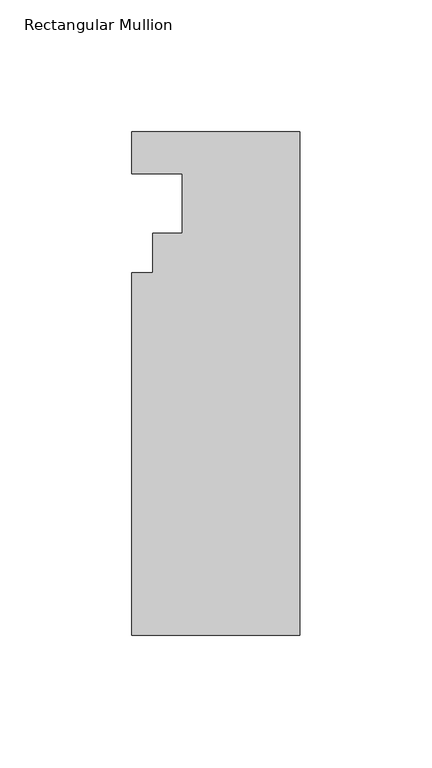
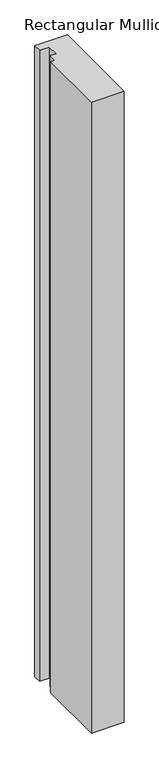
"""IFC4 building model written with IfcOpenShell, lengths in millimetres: member geometry, Rectangular Mullion."""

from ifc_helpers import new_model, si_unit, frame, origin, place, context, project, spatial, polyline, outline, extrude, source, transform, mapped, element, save


def rectangular_mullion_51265b5b(model_context):
    return source(origin(), model_context, "Body", "SweptSolid", [
        extrude(outline(polyline([(0.0, -190.4007813), (-63.5, -190.4007813), (-63.5, -53.0629813), (-55.5752, -53.0629813), (-55.5752, -38.0007813), (-44.45, -38.0007812), (-44.45, -15.5217813), (-63.5, -15.5217813), (-63.5, 0.3278187), (0.0, 0.3278187), (0.0, -190.4007813)])), frame((0.0, 0.0, -1295.4), z_axis=(0.0, 0.0, 1.0), x_axis=(1.0, 0.0, 0.0)), (0.0, 0.0, 1.0), 1295.4),
    ])


if __name__ == "__main__":
    model = new_model("IFC4")
    model_context = context("Model", 3, world=origin())
    ifc_project = project(units=[si_unit("LENGTHUNIT", "METRE", prefix="MILLI")], contexts=[model_context])
    site = spatial("IfcSite", under=ifc_project)
    building = spatial("IfcBuilding", under=site)
    placement = place(None, origin())
    rectangular_mullion_shape = rectangular_mullion_51265b5b(model_context)
    element("IfcMember", 1, ObjectType="Rectangular Mullion", at=placement, inside=building, context=model_context, shape_type="MappedRepresentation", body=[
        mapped(rectangular_mullion_shape, transform((0.0, 0.0, 0.0), x_axis=(1.0, 0.0, 0.0), y_axis=(0.0, 1.0, 0.0), z_axis=(0.0, 0.0, 1.0))),
    ])
    save(model, "model.ifc")
